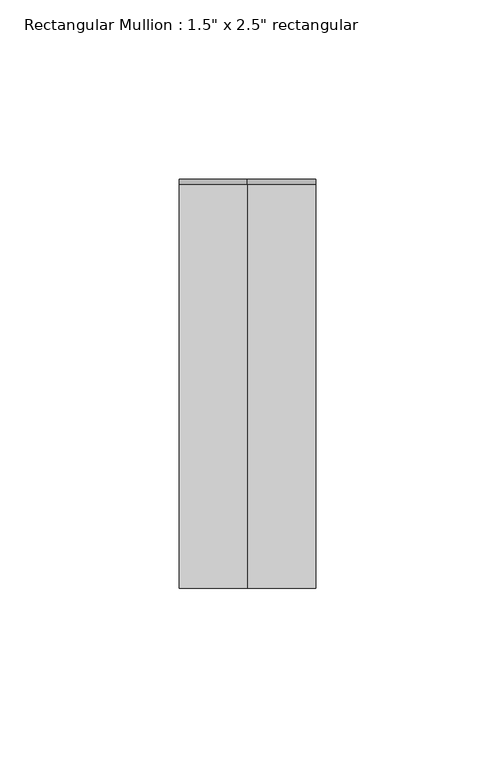
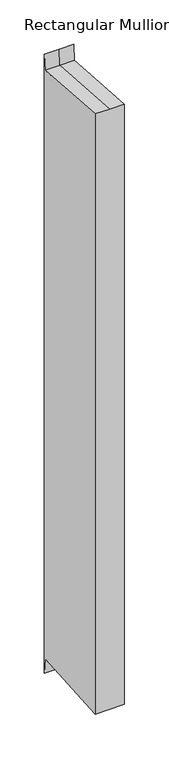
"""IFC4 building model written with IfcOpenShell, lengths in millimetres: member geometry."""

import ifcopenshell
import ifcopenshell.guid

model = None  # the IFC model being written
_history = None  # IfcOwnerHistory: only IFC2X3 demands one
_inside = {}  # id of a spatial element -> (the spatial element, [elements in it])
_under = {}  # id of a project, library or spatial element -> (it, [spatial elements below it])
_declared = {}  # id of a project -> (the project, [libraries it declares])
_typed = {}  # id of a type object -> (the type object, [elements of that type])
_made_of = {}  # id of a material, layer set ... -> (it, [elements and type objects made of it])


def new_model(schema):
    """Start an empty IFC model of exactly this schema.

    Asked for "IFC4X3", IfcOpenShell would pick the latest addendum, in which some entities
    have other attributes; the version numbers below select the first issue.
    IFC2X3 requires an IfcOwnerHistory on every rooted entity: one is made here for all.
    """
    global model, _history
    if schema == "IFC4X3":
        model = ifcopenshell.file(schema_version=(4, 3, 0, 0))
    else:
        model = ifcopenshell.file(schema=schema)
    _inside.clear()
    _under.clear()
    _declared.clear()
    _typed.clear()
    _made_of.clear()
    _history = None
    if model.schema == "IFC2X3":
        org = make("IfcOrganization", Name="unknown")
        user = make(
            "IfcPersonAndOrganization",
            ThePerson=make("IfcPerson", FamilyName="unknown"),
            TheOrganization=org,
        )
        app = make(
            "IfcApplication",
            ApplicationDeveloper=org,
            Version="unknown",
            ApplicationFullName="unknown",
            ApplicationIdentifier="unknown",
        )
        _history = make(
            "IfcOwnerHistory",
            OwningUser=user,
            OwningApplication=app,
            ChangeAction="ADDED",
            CreationDate=0,
        )
    return model


def make(cls, **values):
    """One entity of the class cls with the attributes given. An attribute that is None is left unset."""
    return model.create_entity(
        cls, **{name: value for name, value in values.items() if value is not None}
    )


def rooted(cls, **values):
    """An entity with a GlobalId (a new one), such as an element, a storey or a relation."""
    return make(cls, GlobalId=ifcopenshell.guid.new(), OwnerHistory=_history, **values)


def si_unit(unit_type, name, prefix=None):
    """IfcSIUnit, for example si_unit("LENGTHUNIT", "METRE", prefix="MILLI")."""
    return make("IfcSIUnit", UnitType=unit_type, Prefix=prefix, Name=name)


def assignment(units):
    """IfcUnitAssignment: the units of a project."""
    return None if units is None else make("IfcUnitAssignment", Units=units)


def point(xyz):
    """IfcCartesianPoint."""
    return None if xyz is None else make("IfcCartesianPoint", Coordinates=xyz)


def direction(xyz):
    """IfcDirection."""
    return None if xyz is None else make("IfcDirection", DirectionRatios=xyz)


def frame(location, z_axis=None, x_axis=None):
    """IfcAxis2Placement3D, a coordinate frame: its origin and axes. An axis left out is left unset."""
    return make(
        "IfcAxis2Placement3D",
        Location=point(location),
        Axis=direction(z_axis),
        RefDirection=direction(x_axis),
    )


def origin():
    """The frame at (0, 0, 0) with its axes left unset."""
    return frame((0.0, 0.0, 0.0))


def place(relative_to, where):
    """IfcLocalPlacement: puts the frame where relative to a parent placement (None: the world)."""
    return make(
        "IfcLocalPlacement", PlacementRelTo=relative_to, RelativePlacement=where
    )


def context(
    kind, dimensions, precision=None, world=None, true_north=None, identifier=None
):
    """IfcGeometricRepresentationContext, for example the 3D "Model" context."""
    return make(
        "IfcGeometricRepresentationContext",
        ContextIdentifier=identifier,
        ContextType=kind,
        CoordinateSpaceDimension=dimensions,
        Precision=precision,
        WorldCoordinateSystem=world,
        TrueNorth=true_north,
    )


def project(units=None, contexts=None):
    """IfcProject with its units and contexts."""
    return rooted(
        "IfcProject",
        Name="project",
        RepresentationContexts=contexts,
        UnitsInContext=assignment(units),
    )


def spatial(cls, under=None, at=None, **own):
    """A site, building, storey or space (cls), placed at a placement, below another one or the project."""
    s = rooted(cls, ObjectPlacement=at, **own)
    if under is not None:
        _under.setdefault(under.id(), (under, []))[1].append(s)
    return s


def faces_of(points, faces, orient=None, outer=None):
    """IfcFace entities. A face is a list of loops; a loop is a list of indices into points, from 0.

    orient and outer hold one flag for each loop. By default every Orientation is true, the
    first loop of a face is its IfcFaceOuterBound and the others are IfcFaceBound.
    """
    made = []
    for i, loops in enumerate(faces):
        bounds = []
        for j, loop in enumerate(loops):
            is_outer = j == 0 if outer is None else outer[i][j]
            bounds.append(
                make(
                    "IfcFaceOuterBound" if is_outer else "IfcFaceBound",
                    Bound=make("IfcPolyLoop", Polygon=[points[k] for k in loop]),
                    Orientation=True if orient is None else orient[i][j],
                )
            )
        made.append(make("IfcFace", Bounds=bounds))
    return made


def faceted_brep(points, faces, orient=None, outer=None, voids=None):
    """IfcFacetedBrep: a solid bounded by flat faces; with voids (closed shells), ...WithVoids."""
    shared = [point(p) for p in points]
    hull = make("IfcClosedShell", CfsFaces=faces_of(shared, faces, orient, outer))
    if voids is None:
        return make("IfcFacetedBrep", Outer=hull)
    return make(
        "IfcFacetedBrepWithVoids",
        Outer=hull,
        Voids=[
            make(cls, CfsFaces=faces_of(shared, fs, o, b)) for cls, fs, o, b in voids
        ],
    )


def shape(context_of_items, identifier, shape_type, items):
    """IfcShapeRepresentation: the items that make up one representation, for example the "Body"."""
    return make(
        "IfcShapeRepresentation",
        ContextOfItems=context_of_items,
        RepresentationIdentifier=identifier,
        RepresentationType=shape_type,
        Items=items,
    )


def source(mapping_origin, context_of_items, identifier, shape_type, items):
    """IfcRepresentationMap: a shape defined once, which mapped items show again and again."""
    return make(
        "IfcRepresentationMap",
        MappingOrigin=mapping_origin,
        MappedRepresentation=shape(context_of_items, identifier, shape_type, items),
    )


def transform(
    local_origin,
    x_axis=None,
    y_axis=None,
    z_axis=None,
    scale=None,
    scale2=None,
    scale3=None,
    uniform=True,
):
    """IfcCartesianTransformationOperator3D, or its non-uniform kind. x_axis, y_axis, z_axis: its Axis1, 2, 3."""
    if uniform:
        return make(
            "IfcCartesianTransformationOperator3D",
            Axis1=direction(x_axis),
            Axis2=direction(y_axis),
            LocalOrigin=point(local_origin),
            Scale=scale,
            Axis3=direction(z_axis),
        )
    return make(
        "IfcCartesianTransformationOperator3DnonUniform",
        Axis1=direction(x_axis),
        Axis2=direction(y_axis),
        LocalOrigin=point(local_origin),
        Scale=scale,
        Axis3=direction(z_axis),
        Scale2=scale2,
        Scale3=scale3,
    )


def mapped(mapping_source, mapping_target):
    """IfcMappedItem: shows the shape of a source again, moved by a transform."""
    return make(
        "IfcMappedItem", MappingSource=mapping_source, MappingTarget=mapping_target
    )


def made_of(thing, what):
    """Note that an element or type object is made of a material, layer set ...; save() writes the relation."""
    if what is not None:
        _made_of.setdefault(what.id(), (what, []))[1].append(thing)
    return thing


def element(
    cls,
    number,
    at=None,
    inside=None,
    cuts=None,
    type_object=None,
    material=None,
    context=None,
    identifier="Body",
    shape_type=None,
    held_by="IfcProductDefinitionShape",
    body=None,
    shapes=None,
    **own,
):
    """One element of the class cls, such as IfcWall. Its Tag is "e" and its number.

    at: its placement. inside: the storey or other place that contains it. cuts: it is an
    opening in that element (IfcRelVoidsElement). A single representation is given by context,
    identifier, shape_type and body (its items); several are given by shapes. held_by: the class
    of the entity that holds the representations. save() writes the other relations.
    """
    e = rooted(cls, Tag="e%d" % number, ObjectPlacement=at, **own)
    if body is not None:
        shapes = [shape(context, identifier, shape_type, body)]
    if shapes is not None:
        e.Representation = make(held_by, Representations=shapes)
    if inside is not None:
        _inside.setdefault(inside.id(), (inside, []))[1].append(e)
    if cuts is not None:
        rooted(
            "IfcRelVoidsElement", RelatingBuildingElement=cuts, RelatedOpeningElement=e
        )
    if type_object is not None:
        _typed.setdefault(type_object.id(), (type_object, []))[1].append(e)
    return made_of(e, material)


def aggregate(whole, parts):
    """IfcRelAggregates: a whole, such as a stair, and the parts it consists of."""
    return rooted("IfcRelAggregates", RelatingObject=whole, RelatedObjects=parts)


def save(model, path):
    """Write the relations noted so far, then the file.

    IfcRelAggregates (storeys below a building ...), IfcRelContainedInSpatialStructure (elements
    in a storey), IfcRelDefinesByType, IfcRelAssociatesMaterial and IfcRelDeclares: one each for
    every whole, place, type object, material and project.
    """
    for whole, parts in _under.values():
        aggregate(whole, parts)
    for where, things in _inside.values():
        rooted(
            "IfcRelContainedInSpatialStructure",
            RelatedElements=things,
            RelatingStructure=where,
        )
    for kind, things in _typed.values():
        rooted("IfcRelDefinesByType", RelatedObjects=things, RelatingType=kind)
    for what, things in _made_of.values():
        rooted("IfcRelAssociatesMaterial", RelatedObjects=things, RelatingMaterial=what)
    for by, libraries in _declared.values():
        rooted("IfcRelDeclares", RelatingContext=by, RelatedDefinitions=libraries)
    model.write(path)


def member_9a3372d0(model_context):
    return source(origin(), model_context, "Body", "Brep", [
        faceted_brep([(-19.05, 57.15, 17.0088826), (0.0, 57.15, 17.0088826), (19.05, 57.15, 17.0088826), (19.05, 57.15, -834.1800821), (0.0, 57.15, -834.1800821), (-19.05, 57.15, -834.1800821), (-19.05, -57.15, 4.0387875), (-19.05, 55.6453769, -4.0284971), (-19.05, 55.6453769, -813.1427024), (-19.05, -57.15, -821.209987), (19.05, -57.15, 4.0387875), (0.0, -57.15, 4.0387875), (0.0, -57.15, -821.209987), (19.05, -57.15, -821.209987), (19.05, 55.6453769, -4.0284971), (19.05, 55.6453769, -813.1427024), (0.0, 55.6453769, -4.0284971), (0.0, 55.6453769, -813.1427024)], [[[0, 1, 2, 3, 4, 5]], [[6, 7, 0, 5, 8, 9]], [[10, 11, 6, 9, 12, 13]], [[2, 14, 10, 13, 15, 3]], [[2, 1, 16, 14]], [[1, 0, 7, 16]], [[7, 6, 11, 16]], [[11, 10, 14, 16]], [[3, 15, 17, 4]], [[15, 13, 12, 17]], [[12, 9, 8, 17]], [[8, 5, 4, 17]]]),
    ])


if __name__ == "__main__":
    model = new_model("IFC4")
    model_context = context("Model", 3, world=origin())
    ifc_project = project(units=[si_unit("LENGTHUNIT", "METRE", prefix="MILLI")], contexts=[model_context])
    site = spatial("IfcSite", under=ifc_project)
    building = spatial("IfcBuilding", under=site)
    placement = place(None, origin())
    member_shape = member_9a3372d0(model_context)
    element("IfcMember", 1, ObjectType="Rectangular Mullion : 1.5\" x 2.5\" rectangular", at=placement, inside=building, context=model_context, shape_type="MappedRepresentation", body=[
        mapped(member_shape, transform((0.0, 0.0, 0.0), x_axis=(1.0, 0.0, 0.0), y_axis=(0.0, 1.0, 0.0), z_axis=(0.0, 0.0, 1.0))),
    ])
    save(model, "model.ifc")
